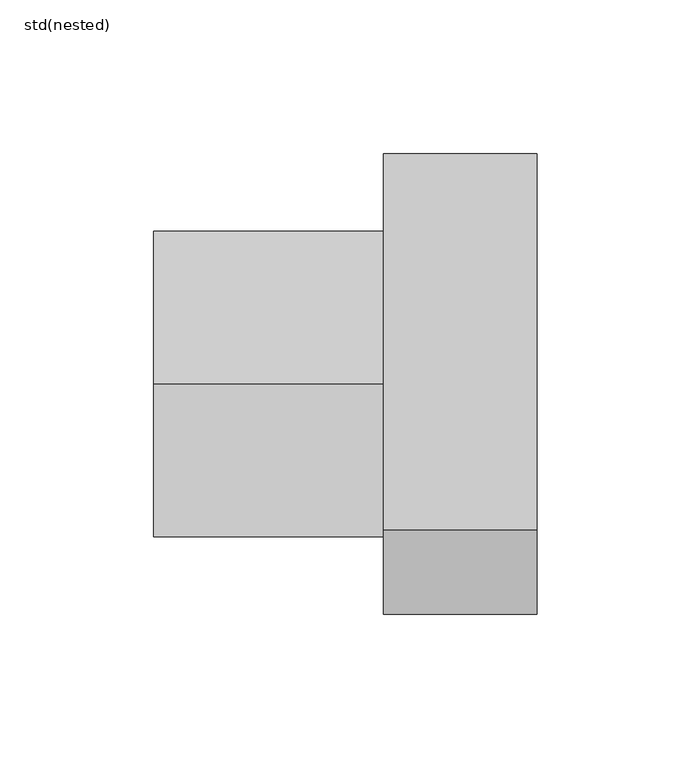
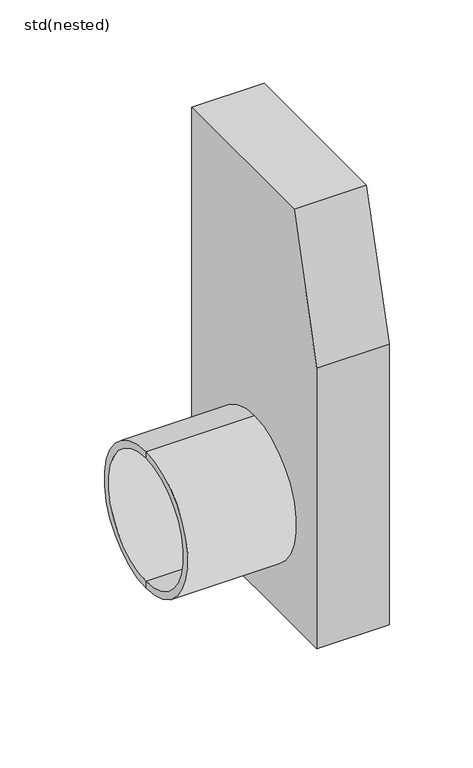
"""IFC4 building model written with IfcOpenShell, lengths in millimetres: sanitary terminal geometry, std(nested)."""

from ifc_helpers import new_model, si_unit, point, frame, frame_2d, origin, place, context, project, spatial, polyline, circle_curve, trimmed, segment, composite_curve, outline, extrude, source, transform, mapped, element, save
from ifc_brep_helpers import plane_surface, cylinder_surface, revolved_surface, advanced_brep


def std_nested_236dc41d(model_context):
    return source(origin(), model_context, "Body", "SolidModel", [
        advanced_brep(
        [(-752.8529257, -625.4923488, -280.0), (-752.8529257, -625.4923488, -180.0), (-827.8529257, -625.4923488, -180.0), (-827.8529257, -625.4923488, -280.0), (-752.8529257, -625.4923488, -275.0), (-752.8529257, -625.4923488, -185.0), (-827.8529257, -625.4923488, -275.0), (-827.8529257, -625.4923488, -185.0)],
        [
            (0, 1, circle_curve(frame((-752.8529257, -625.4923488, -230.0), z_axis=(-1.0, 0.0, 0.0), x_axis=(0.0, 0.0, 1.0)), 50.0)),
            (1, 2),
            (2, 3, circle_curve(frame((-827.8529257, -625.4923488, -230.0), z_axis=(1.0, 0.0, 0.0), x_axis=(0.0, 0.0, 1.0)), 50.0)),
            (3, 0),
            (1, 0, circle_curve(frame((-752.8529257, -625.4923488, -230.0), z_axis=(-1.0, 0.0, 0.0), x_axis=(0.0, 0.0, 1.0)), 50.0)),
            (3, 2, circle_curve(frame((-827.8529257, -625.4923488, -230.0), z_axis=(1.0, 0.0, 0.0), x_axis=(0.0, 0.0, 1.0)), 50.0)),
            (4, 5, circle_curve(frame((-752.8529257, -625.4923488, -230.0), z_axis=(-1.0, 0.0, 0.0), x_axis=(0.0, 0.0, 1.0)), 45.0)),
            (5, 1),
            (0, 4),
            (5, 4, circle_curve(frame((-752.8529257, -625.4923488, -230.0), z_axis=(-1.0, 0.0, 0.0), x_axis=(0.0, 0.0, 1.0)), 45.0)),
            (6, 7, circle_curve(frame((-827.8529257, -625.4923488, -230.0), z_axis=(-1.0, 0.0, 0.0), x_axis=(0.0, 0.0, 1.0)), 45.0)),
            (7, 5),
            (4, 6),
            (7, 6, circle_curve(frame((-827.8529257, -625.4923488, -230.0), z_axis=(-1.0, 0.0, 0.0), x_axis=(0.0, 0.0, 1.0)), 45.0)),
            (2, 7),
            (6, 3),
        ],
        [
            cylinder_surface(frame((-757.9427735, -625.4923488, -230.0), z_axis=(1.0, 0.0, 0.0), x_axis=(0.0, 0.0, 1.0)), 50.0),
            plane_surface(frame((-752.8529257, -625.4923488, -230.0), z_axis=(1.0, 0.0, 0.0), x_axis=(0.0, 0.0, 1.0))),
            revolved_surface(polyline([(-752.8529257, -625.4923488, -185.0), (-827.8529257, -625.4923488, -185.0)]), (-757.9427735, -625.4923488, -230.0), (1.0, 0.0, 0.0)),
            plane_surface(frame((-827.8529257, -625.4923488, -230.0), z_axis=(-1.0, 0.0, 0.0), x_axis=(0.0, 0.0, 1.0))),
        ],
        [
            (0, [[1, 2, 3, 4]]),
            (0, [[5, -4, 6, -2]]),
            (1, [[7, 8, -1, 9]]),
            (1, [[10, -9, -5, -8]]),
            (2, [[11, 12, -7, 13]]),
            (2, [[14, -13, -10, -12]]),
            (3, [[-3, 15, -11, 16]]),
            (3, [[-6, -16, -14, -15]]),
        ],
    ),
        extrude(outline(polyline([(-550.4923488, -305.0), (-700.4923488, -305.0), (-700.4923488, -100.0), (-673.1182168, 0.0), (-550.4923488, 0.0), (-550.4923488, -305.0)]), holes=[composite_curve([segment(trimmed(circle_curve(frame_2d((-624.9923488, -230.0)), 40.0), [point((-584.9923488, -230.0))], [point((-664.9923488, -230.0))], True, "CARTESIAN"), True, "CONTINUOUS"), segment(trimmed(circle_curve(frame_2d((-624.9923488, -230.0)), 40.0), [point((-664.9923488, -230.0))], [point((-584.9923488, -230.0))], True, "CARTESIAN"), True, "CONTINUOUS")], self_intersect=False)]), frame((-752.8529257, 0.0, 0.0), z_axis=(1.0, 0.0, 0.0), x_axis=(0.0, 1.0, 0.0)), (0.0, 0.0, 1.0), 50.0),
    ])


if __name__ == "__main__":
    model = new_model("IFC4")
    model_context = context("Model", 3, world=origin())
    ifc_project = project(units=[si_unit("LENGTHUNIT", "METRE", prefix="MILLI")], contexts=[model_context])
    site = spatial("IfcSite", under=ifc_project)
    building = spatial("IfcBuilding", under=site)
    placement = place(None, origin())
    std_nested_shape = std_nested_236dc41d(model_context)
    element("IfcSanitaryTerminal", 1, ObjectType="std(nested)", at=placement, inside=building, context=model_context, shape_type="MappedRepresentation", body=[
        mapped(std_nested_shape, transform((0.0, 0.0, 0.0), x_axis=(1.0, 0.0, 0.0), y_axis=(0.0, 1.0, 0.0), z_axis=(0.0, 0.0, 1.0))),
    ])
    save(model, "model.ifc")
